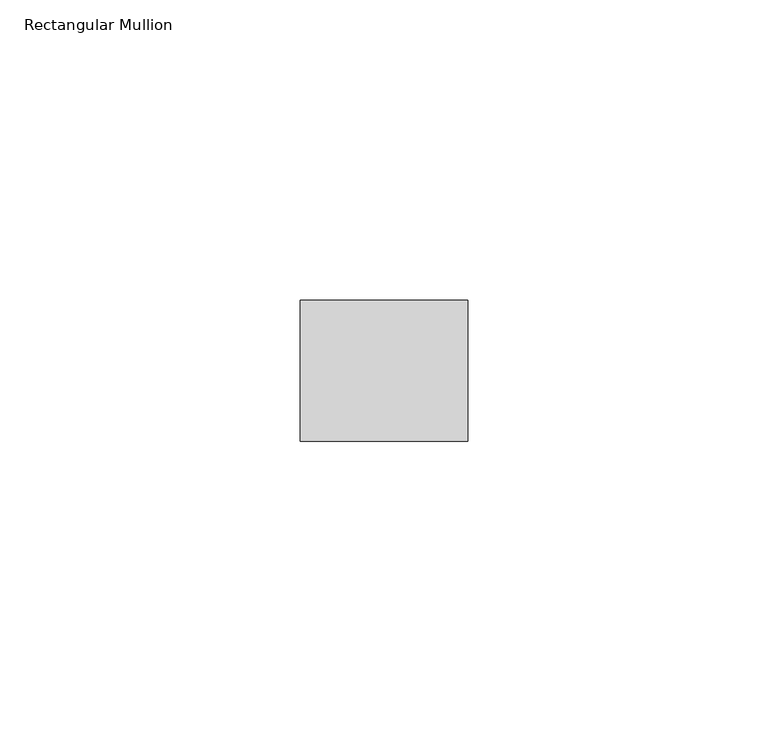
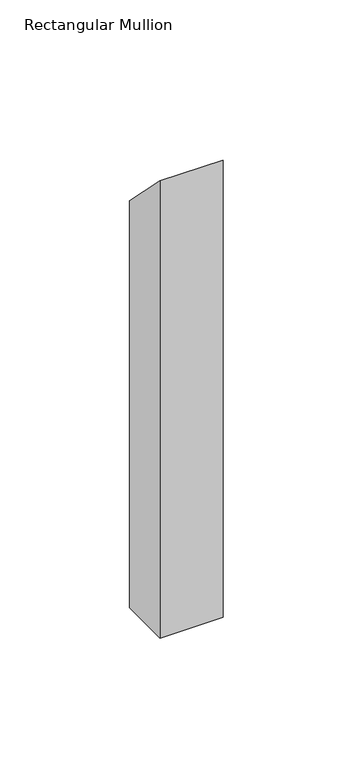
"""IFC4 building model written with IfcOpenShell, lengths in millimetres: member geometry, Rectangular Mullion."""

import ifcopenshell
import ifcopenshell.guid

model = None  # the IFC model being written
_history = None  # IfcOwnerHistory: only IFC2X3 demands one
_inside = {}  # id of a spatial element -> (the spatial element, [elements in it])
_under = {}  # id of a project, library or spatial element -> (it, [spatial elements below it])
_declared = {}  # id of a project -> (the project, [libraries it declares])
_typed = {}  # id of a type object -> (the type object, [elements of that type])
_made_of = {}  # id of a material, layer set ... -> (it, [elements and type objects made of it])


def new_model(schema):
    """Start an empty IFC model of exactly this schema.

    Asked for "IFC4X3", IfcOpenShell would pick the latest addendum, in which some entities
    have other attributes; the version numbers below select the first issue.
    IFC2X3 requires an IfcOwnerHistory on every rooted entity: one is made here for all.
    """
    global model, _history
    if schema == "IFC4X3":
        model = ifcopenshell.file(schema_version=(4, 3, 0, 0))
    else:
        model = ifcopenshell.file(schema=schema)
    _inside.clear()
    _under.clear()
    _declared.clear()
    _typed.clear()
    _made_of.clear()
    _history = None
    if model.schema == "IFC2X3":
        org = make("IfcOrganization", Name="unknown")
        user = make(
            "IfcPersonAndOrganization",
            ThePerson=make("IfcPerson", FamilyName="unknown"),
            TheOrganization=org,
        )
        app = make(
            "IfcApplication",
            ApplicationDeveloper=org,
            Version="unknown",
            ApplicationFullName="unknown",
            ApplicationIdentifier="unknown",
        )
        _history = make(
            "IfcOwnerHistory",
            OwningUser=user,
            OwningApplication=app,
            ChangeAction="ADDED",
            CreationDate=0,
        )
    return model


def make(cls, **values):
    """One entity of the class cls with the attributes given. An attribute that is None is left unset."""
    return model.create_entity(
        cls, **{name: value for name, value in values.items() if value is not None}
    )


def rooted(cls, **values):
    """An entity with a GlobalId (a new one), such as an element, a storey or a relation."""
    return make(cls, GlobalId=ifcopenshell.guid.new(), OwnerHistory=_history, **values)


def si_unit(unit_type, name, prefix=None):
    """IfcSIUnit, for example si_unit("LENGTHUNIT", "METRE", prefix="MILLI")."""
    return make("IfcSIUnit", UnitType=unit_type, Prefix=prefix, Name=name)


def assignment(units):
    """IfcUnitAssignment: the units of a project."""
    return None if units is None else make("IfcUnitAssignment", Units=units)


def point(xyz):
    """IfcCartesianPoint."""
    return None if xyz is None else make("IfcCartesianPoint", Coordinates=xyz)


def direction(xyz):
    """IfcDirection."""
    return None if xyz is None else make("IfcDirection", DirectionRatios=xyz)


def frame(location, z_axis=None, x_axis=None):
    """IfcAxis2Placement3D, a coordinate frame: its origin and axes. An axis left out is left unset."""
    return make(
        "IfcAxis2Placement3D",
        Location=point(location),
        Axis=direction(z_axis),
        RefDirection=direction(x_axis),
    )


def origin():
    """The frame at (0, 0, 0) with its axes left unset."""
    return frame((0.0, 0.0, 0.0))


def place(relative_to, where):
    """IfcLocalPlacement: puts the frame where relative to a parent placement (None: the world)."""
    return make(
        "IfcLocalPlacement", PlacementRelTo=relative_to, RelativePlacement=where
    )


def context(
    kind, dimensions, precision=None, world=None, true_north=None, identifier=None
):
    """IfcGeometricRepresentationContext, for example the 3D "Model" context."""
    return make(
        "IfcGeometricRepresentationContext",
        ContextIdentifier=identifier,
        ContextType=kind,
        CoordinateSpaceDimension=dimensions,
        Precision=precision,
        WorldCoordinateSystem=world,
        TrueNorth=true_north,
    )


def project(units=None, contexts=None):
    """IfcProject with its units and contexts."""
    return rooted(
        "IfcProject",
        Name="project",
        RepresentationContexts=contexts,
        UnitsInContext=assignment(units),
    )


def spatial(cls, under=None, at=None, **own):
    """A site, building, storey or space (cls), placed at a placement, below another one or the project."""
    s = rooted(cls, ObjectPlacement=at, **own)
    if under is not None:
        _under.setdefault(under.id(), (under, []))[1].append(s)
    return s


def polyline(points):
    """IfcPolyline through the points."""
    return make("IfcPolyline", Points=[point(p) for p in points])


def outline(outer, holes=None, kind="AREA"):
    """IfcArbitraryClosedProfileDef: a profile drawn as a closed curve; with holes, ...WithVoids."""
    if holes is None:
        return make("IfcArbitraryClosedProfileDef", ProfileType=kind, OuterCurve=outer)
    return make(
        "IfcArbitraryProfileDefWithVoids",
        ProfileType=kind,
        OuterCurve=outer,
        InnerCurves=holes,
    )


def extrude(swept, where, along, depth):
    """IfcExtrudedAreaSolid: the profile swept, set in the frame where, extruded along a direction by depth."""
    return make(
        "IfcExtrudedAreaSolid",
        SweptArea=swept,
        Position=where,
        ExtrudedDirection=direction(along),
        Depth=depth,
    )


def shape(context_of_items, identifier, shape_type, items):
    """IfcShapeRepresentation: the items that make up one representation, for example the "Body"."""
    return make(
        "IfcShapeRepresentation",
        ContextOfItems=context_of_items,
        RepresentationIdentifier=identifier,
        RepresentationType=shape_type,
        Items=items,
    )


def source(mapping_origin, context_of_items, identifier, shape_type, items):
    """IfcRepresentationMap: a shape defined once, which mapped items show again and again."""
    return make(
        "IfcRepresentationMap",
        MappingOrigin=mapping_origin,
        MappedRepresentation=shape(context_of_items, identifier, shape_type, items),
    )


def transform(
    local_origin,
    x_axis=None,
    y_axis=None,
    z_axis=None,
    scale=None,
    scale2=None,
    scale3=None,
    uniform=True,
):
    """IfcCartesianTransformationOperator3D, or its non-uniform kind. x_axis, y_axis, z_axis: its Axis1, 2, 3."""
    if uniform:
        return make(
            "IfcCartesianTransformationOperator3D",
            Axis1=direction(x_axis),
            Axis2=direction(y_axis),
            LocalOrigin=point(local_origin),
            Scale=scale,
            Axis3=direction(z_axis),
        )
    return make(
        "IfcCartesianTransformationOperator3DnonUniform",
        Axis1=direction(x_axis),
        Axis2=direction(y_axis),
        LocalOrigin=point(local_origin),
        Scale=scale,
        Axis3=direction(z_axis),
        Scale2=scale2,
        Scale3=scale3,
    )


def mapped(mapping_source, mapping_target):
    """IfcMappedItem: shows the shape of a source again, moved by a transform."""
    return make(
        "IfcMappedItem", MappingSource=mapping_source, MappingTarget=mapping_target
    )


def made_of(thing, what):
    """Note that an element or type object is made of a material, layer set ...; save() writes the relation."""
    if what is not None:
        _made_of.setdefault(what.id(), (what, []))[1].append(thing)
    return thing


def element(
    cls,
    number,
    at=None,
    inside=None,
    cuts=None,
    type_object=None,
    material=None,
    context=None,
    identifier="Body",
    shape_type=None,
    held_by="IfcProductDefinitionShape",
    body=None,
    shapes=None,
    **own,
):
    """One element of the class cls, such as IfcWall. Its Tag is "e" and its number.

    at: its placement. inside: the storey or other place that contains it. cuts: it is an
    opening in that element (IfcRelVoidsElement). A single representation is given by context,
    identifier, shape_type and body (its items); several are given by shapes. held_by: the class
    of the entity that holds the representations. save() writes the other relations.
    """
    e = rooted(cls, Tag="e%d" % number, ObjectPlacement=at, **own)
    if body is not None:
        shapes = [shape(context, identifier, shape_type, body)]
    if shapes is not None:
        e.Representation = make(held_by, Representations=shapes)
    if inside is not None:
        _inside.setdefault(inside.id(), (inside, []))[1].append(e)
    if cuts is not None:
        rooted(
            "IfcRelVoidsElement", RelatingBuildingElement=cuts, RelatedOpeningElement=e
        )
    if type_object is not None:
        _typed.setdefault(type_object.id(), (type_object, []))[1].append(e)
    return made_of(e, material)


def aggregate(whole, parts):
    """IfcRelAggregates: a whole, such as a stair, and the parts it consists of."""
    return rooted("IfcRelAggregates", RelatingObject=whole, RelatedObjects=parts)


def save(model, path):
    """Write the relations noted so far, then the file.

    IfcRelAggregates (storeys below a building ...), IfcRelContainedInSpatialStructure (elements
    in a storey), IfcRelDefinesByType, IfcRelAssociatesMaterial and IfcRelDeclares: one each for
    every whole, place, type object, material and project.
    """
    for whole, parts in _under.values():
        aggregate(whole, parts)
    for where, things in _inside.values():
        rooted(
            "IfcRelContainedInSpatialStructure",
            RelatedElements=things,
            RelatingStructure=where,
        )
    for kind, things in _typed.values():
        rooted("IfcRelDefinesByType", RelatedObjects=things, RelatingType=kind)
    for what, things in _made_of.values():
        rooted("IfcRelAssociatesMaterial", RelatedObjects=things, RelatingMaterial=what)
    for by, libraries in _declared.values():
        rooted("IfcRelDeclares", RelatingContext=by, RelatedDefinitions=libraries)
    model.write(path)


def rectangular_mullion_6056ada3(model_context):
    return source(origin(), model_context, "Body", "SweptSolid", [
        extrude(outline(polyline([(-11.7474999, 11.7474999), (11.7474999, -11.7474999), (11.7474999, -203.2), (-11.7474999, -203.2), (-11.7474999, 11.7474999)])), frame((-27.94, 0.0, 0.0), z_axis=(1.0, 0.0, 0.0), x_axis=(0.0, 1.0, 0.0)), (0.0, 0.0, 1.0), 27.94),
    ])


if __name__ == "__main__":
    model = new_model("IFC4")
    model_context = context("Model", 3, world=origin())
    ifc_project = project(units=[si_unit("LENGTHUNIT", "METRE", prefix="MILLI")], contexts=[model_context])
    site = spatial("IfcSite", under=ifc_project)
    building = spatial("IfcBuilding", under=site)
    placement = place(None, origin())
    rectangular_mullion_shape = rectangular_mullion_6056ada3(model_context)
    element("IfcMember", 1, ObjectType="Rectangular Mullion", at=placement, inside=building, context=model_context, shape_type="MappedRepresentation", body=[
        mapped(rectangular_mullion_shape, transform((0.0, 0.0, 0.0), x_axis=(1.0, 0.0, 0.0), y_axis=(0.0, 1.0, 0.0), z_axis=(0.0, 0.0, 1.0))),
    ])
    save(model, "model.ifc")
